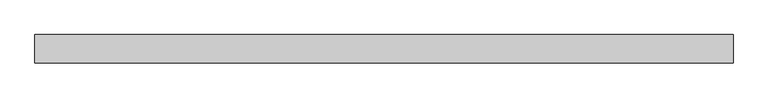
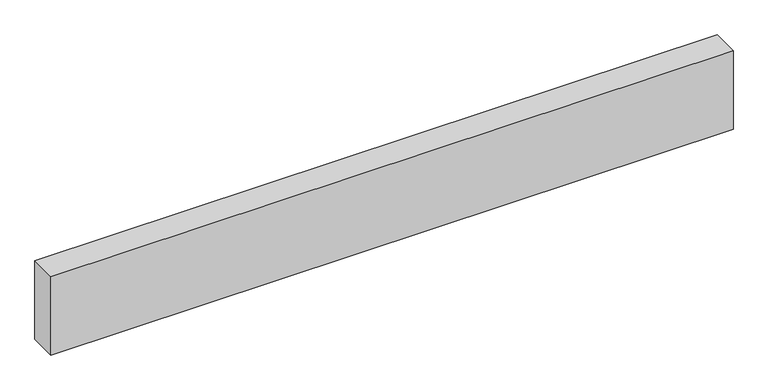
"""IFC4 building model written with IfcOpenShell, lengths in millimetres: proxy geometry."""

from ifc_helpers import new_model, si_unit, origin, origin_with_axes, place, context, project, spatial, polyline, outline, extrude, source, transform, mapped, element, save


def generic_models_3ffadf14(model_context):
    return source(origin(), model_context, "Body", "SweptSolid", [
        extrude(outline(polyline([(2470.4250118, 0.0), (2470.4250118, -100.0), (0.0, -100.0), (0.0, 0.0), (2470.4250118, 0.0)])), origin_with_axes(), (0.0, 0.0, 1.0), 300.0),
    ])


if __name__ == "__main__":
    model = new_model("IFC4")
    model_context = context("Model", 3, world=origin())
    ifc_project = project(units=[si_unit("LENGTHUNIT", "METRE", prefix="MILLI")], contexts=[model_context])
    site = spatial("IfcSite", under=ifc_project)
    building = spatial("IfcBuilding", under=site)
    placement = place(None, origin())
    generic_models_shape = generic_models_3ffadf14(model_context)
    element("IfcBuildingElementProxy", 1, Name="Generic Models", at=placement, inside=building, context=model_context, shape_type="MappedRepresentation", body=[
        mapped(generic_models_shape, transform((0.0, 0.0, 0.0), x_axis=(1.0, 0.0, 0.0), y_axis=(0.0, 1.0, 0.0), z_axis=(0.0, 0.0, 1.0))),
    ])
    save(model, "model.ifc")
